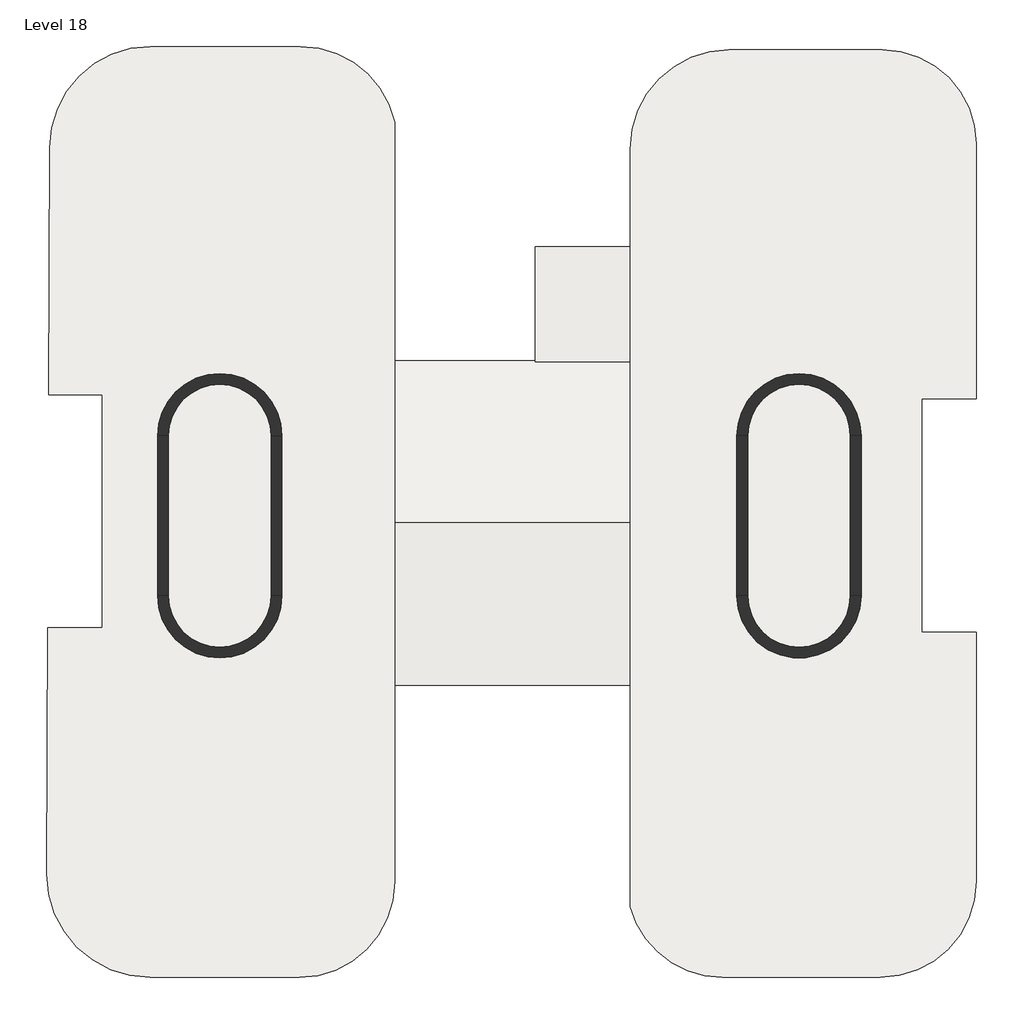
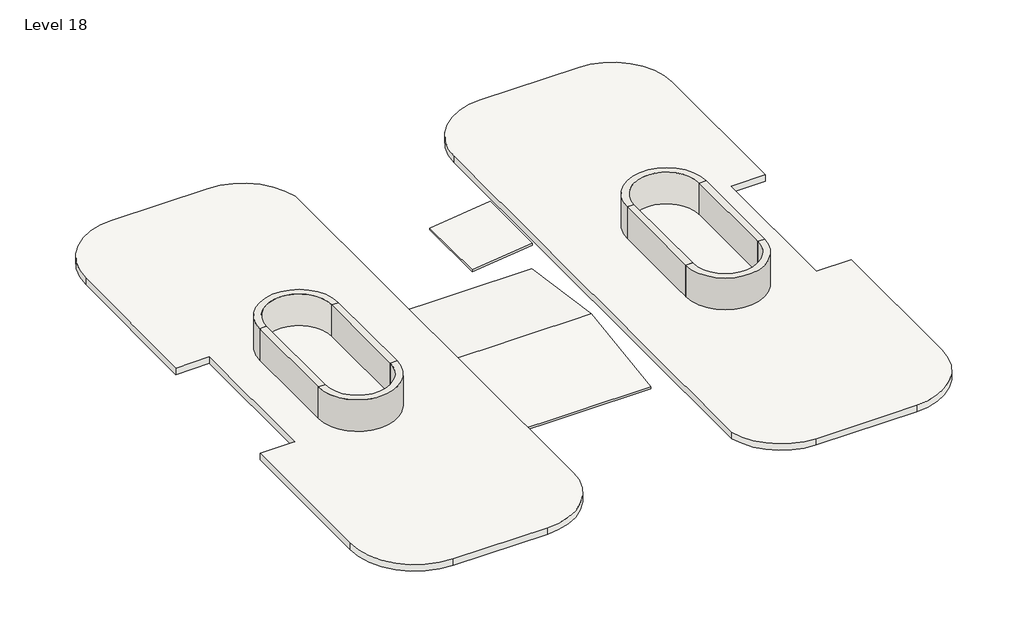
# One storey: 8 walls, 2 roofs, 1 slab.
"""IFC4 building model written with IfcOpenShell, lengths in millimetres."""

from ifc_helpers import new_model, si_unit, point, frame, frame_2d, origin, place, context, project, spatial, polyline, circle_curve, trimmed, segment, composite_curve, outline, extrude, element, save

model = new_model("IFC4")

# Units and contexts
model_context = context("Model", 3, world=origin())
ifc_project = project(units=[si_unit("LENGTHUNIT", "METRE", prefix="MILLI")], contexts=[model_context])

# Site, building, storey
site = spatial("IfcSite", under=ifc_project)
building = spatial("IfcBuilding", under=site)
storey = spatial("IfcBuildingStorey", under=building, Name="Level 18", Elevation=50350.0)

# Roofs
placement = place(None, origin())
element("IfcRoof", 1, at=placement, inside=storey, context=model_context, shape_type="SweptSolid", body=[
    extrude(outline(polyline([(-4515.8480376, 48721.9171139), (15.1519624, 49370.4067088), (4546.1519624, 48721.9171139), (4546.1519624, 48631.0), (15.1519624, 49279.4895949), (-4515.8480376, 48631.0), (-4515.8480376, 48721.9171139)])), frame((-3123.3130583, 0.0, 0.0), z_axis=(1.0, 0.0, 0.0), x_axis=(0.0, 1.0, 0.0)), (0.0, 0.0, 1.0), 6579.1516512),
])
element("IfcRoof", 2, at=placement, inside=storey, context=model_context, shape_type="SweptSolid", body=[
    extrude(outline(polyline([(49917.2123638, 3455.8385929), (49603.6284095, 806.8385929), (49513.0, 806.8385929), (49826.5839543, 3455.8385929), (49917.2123638, 3455.8385929)])), frame((0.0, 4514.7234875, 0.0), z_axis=(0.0, 1.0, 0.0), x_axis=(0.0, 0.0, 1.0)), (0.0, 0.0, 1.0), 3218.0),
])

# Slab
element("IfcSlab", 3, ObjectType="Por defecto - 30 cm", at=placement, inside=storey, context=model_context, shape_type="SweptSolid", body=[
    extrude(outline(composite_curve([segment(polyline([(6211.8385929, 13223.9921771), (10492.8385929, 13223.9921771)]), True, "CONTINUOUS"), segment(trimmed(circle_curve(frame_2d((10492.8385929, 10597.9921771)), 2626.0), [point((10492.8385929, 13223.9921771))], [point((13118.8385929, 10597.9921771))], False, "CARTESIAN"), True, "CONTINUOUS"), segment(polyline([(13118.8385929, 10597.9921771), (13118.8385929, 3484.5921771), (11591.8385929, 3484.5921771), (11591.8385929, -3037.4078229), (13118.8385929, -3037.4078229), (13118.8385929, -9991.5816272)]), True, "CONTINUOUS"), segment(trimmed(circle_curve(frame_2d((10443.8385929, -9991.5816272)), 2675.0), [point((13118.8385929, -9991.5816272))], [point((10443.8385929, -12666.5816272))], False, "CARTESIAN"), True, "CONTINUOUS"), segment(polyline([(10443.8385929, -12666.5816272), (6032.6869417, -12666.5816272)]), True, "CONTINUOUS"), segment(trimmed(circle_curve(frame_2d((6032.6869417, -9995.5816272)), 2671.0), [point((6032.6869417, -12666.5816272))], [point((3455.8385929, -10698.4995365))], False, "CARTESIAN"), True, "CONTINUOUS"), segment(polyline([(3455.8385929, -10698.4995365), (3455.8385929, 10467.9921771)]), True, "CONTINUOUS"), segment(trimmed(circle_curve(frame_2d((6211.8385929, 10467.9921771)), 2756.0), [point((3455.8385929, 10467.9921771))], [point((6211.8385929, 13223.9921771))], False, "CARTESIAN"), True, "CONTINUOUS")], self_intersect=False)), frame((0.0, 0.0, 50050.0), z_axis=(0.0, 0.0, 1.0), x_axis=(1.0, 0.0, 0.0)), (0.0, 0.0, 1.0), 300.0),
    extrude(outline(composite_curve([segment(trimmed(circle_curve(frame_2d((-5790.3130583, -10007.8480376)), 2667.0), [point((-3123.3130583, -10007.8480376))], [point((-5790.3130583, -12674.8480376))], False, "CARTESIAN"), True, "CONTINUOUS"), segment(polyline([(-5790.3130583, -12674.8480376), (-9947.9423327, -12674.8480376)]), True, "CONTINUOUS"), segment(trimmed(circle_curve(frame_2d((-9947.9423327, -9780.8480376)), 2894.0), [point((-9947.9423327, -12674.8480376))], [point((-12841.9423113, -9781.1996622))], False, "CARTESIAN"), True, "CONTINUOUS"), segment(polyline([(-12841.9423113, -9781.1996622), (-12814.1941182, -2911.6269482), (-11291.9914485, -2911.6269482), (-11291.9914485, 3593.3730518), (-12781.7223076, 3593.3730518), (-12748.9661667, 10510.0816687)]), True, "CONTINUOUS"), segment(trimmed(circle_curve(frame_2d((-9939.9661667, 10510.0816687)), 2809.0), [point((-12748.9661667, 10510.0816687))], [point((-9939.9661667, 13319.0816687))], False, "CARTESIAN"), True, "CONTINUOUS"), segment(polyline([(-9939.9661667, 13319.0816687), (-5754.1614071, 13319.0816687)]), True, "CONTINUOUS"), segment(trimmed(circle_curve(frame_2d((-5754.1614071, 10624.0816687)), 2695.0), [point((-5754.1614071, 13319.0816687))], [point((-3123.3130583, 11208.6002446))], False, "CARTESIAN"), True, "CONTINUOUS"), segment(polyline([(-3123.3130583, 11208.6002446), (-3123.3130583, -9719.1475426), (-3123.3130583, -10007.8480376)]), True, "CONTINUOUS")], self_intersect=False)), frame((0.0, 0.0, 50050.0), z_axis=(0.0, 0.0, 1.0), x_axis=(1.0, 0.0, 0.0)), (0.0, 0.0, 1.0), 300.0),
])

# Walls
element("IfcWall", 4, ObjectType="Por defecto - 30 cm", at=placement, inside=storey, context=model_context, shape_type="SweptSolid", body=[
    extrude(outline(polyline([(-9740.2610765, -2018.952811), (-9740.2610765, 2449.8828373), (-9440.2610765, 2449.8828373), (-9440.2610765, -2018.952811), (-9740.2610765, -2018.952811)])), frame((0.0, 0.0, 50350.0), z_axis=(0.0, 0.0, 1.0), x_axis=(1.0, 0.0, 0.0)), (0.0, 0.0, 1.0), 1470.0),
])
element("IfcWall", 5, ObjectType="Por defecto - 30 cm", at=placement, inside=storey, context=model_context, shape_type="SweptSolid", body=[
    extrude(outline(polyline([(-6570.2610765, -2018.952811), (-6570.2610765, 2449.8828373), (-6270.2610765, 2449.8828373), (-6270.2610765, -2018.952811), (-6570.2610765, -2018.952811)])), frame((0.0, 0.0, 50350.0), z_axis=(0.0, 0.0, 1.0), x_axis=(1.0, 0.0, 0.0)), (0.0, 0.0, 1.0), 1470.0),
])
element("IfcWall", 6, ObjectType="Por defecto - 30 cm", at=placement, inside=storey, context=model_context, shape_type="SweptSolid", body=[
    extrude(outline(composite_curve([segment(polyline([(-9440.2610765, 2449.8828373), (-9740.2610765, 2449.8828373)]), True, "CONTINUOUS"), segment(trimmed(circle_curve(frame_2d((-8005.2610765, 2449.8828373)), 1735.0), [point((-9740.2610765, 2449.8828373))], [point((-6270.2610765, 2449.8828373))], False, "CARTESIAN"), True, "CONTINUOUS"), segment(polyline([(-6270.2610765, 2449.8828373), (-6570.2610765, 2449.8828373)]), True, "CONTINUOUS"), segment(trimmed(circle_curve(frame_2d((-8005.2610765, 2449.8828373)), 1435.0), [point((-6570.2610765, 2449.8828373))], [point((-9440.2610765, 2449.8828373))], True, "CARTESIAN"), True, "CONTINUOUS")], self_intersect=False)), frame((0.0, 0.0, 50350.0), z_axis=(0.0, 0.0, 1.0), x_axis=(1.0, 0.0, 0.0)), (0.0, 0.0, 1.0), 1470.0),
])
element("IfcWall", 7, ObjectType="Por defecto - 30 cm", at=placement, inside=storey, context=model_context, shape_type="SweptSolid", body=[
    extrude(outline(composite_curve([segment(polyline([(-6570.2610765, -2018.952811), (-6270.2610765, -2018.952811)]), True, "CONTINUOUS"), segment(trimmed(circle_curve(frame_2d((-8005.2610765, -2018.952811)), 1735.0), [point((-6270.2610765, -2018.952811))], [point((-9740.2610765, -2018.952811))], False, "CARTESIAN"), True, "CONTINUOUS"), segment(polyline([(-9740.2610765, -2018.952811), (-9440.2610765, -2018.952811)]), True, "CONTINUOUS"), segment(trimmed(circle_curve(frame_2d((-8005.2610765, -2018.952811)), 1435.0), [point((-9440.2610765, -2018.952811))], [point((-6570.2610765, -2018.952811))], True, "CARTESIAN"), True, "CONTINUOUS")], self_intersect=False)), frame((0.0, 0.0, 50350.0), z_axis=(0.0, 0.0, 1.0), x_axis=(1.0, 0.0, 0.0)), (0.0, 0.0, 1.0), 1470.0),
])
element("IfcWall", 8, ObjectType="Por defecto - 30 cm", at=placement, inside=storey, context=model_context, shape_type="SweptSolid", body=[
    extrude(outline(polyline([(6434.7389235, -2018.952811), (6434.7389235, 2449.8828373), (6734.7389235, 2449.8828373), (6734.7389235, -2018.952811), (6434.7389235, -2018.952811)])), frame((0.0, 0.0, 50350.0), z_axis=(0.0, 0.0, 1.0), x_axis=(1.0, 0.0, 0.0)), (0.0, 0.0, 1.0), 1470.0),
])
element("IfcWall", 9, ObjectType="Por defecto - 30 cm", at=placement, inside=storey, context=model_context, shape_type="SweptSolid", body=[
    extrude(outline(polyline([(9604.7389235, -2018.952811), (9604.7389235, 2449.8828373), (9904.7389235, 2449.8828373), (9904.7389235, -2018.952811), (9604.7389235, -2018.952811)])), frame((0.0, 0.0, 50350.0), z_axis=(0.0, 0.0, 1.0), x_axis=(1.0, 0.0, 0.0)), (0.0, 0.0, 1.0), 1470.0),
])
element("IfcWall", 10, ObjectType="Por defecto - 30 cm", at=placement, inside=storey, context=model_context, shape_type="SweptSolid", body=[
    extrude(outline(composite_curve([segment(polyline([(6734.7389235, 2449.8828373), (6434.7389235, 2449.8828373)]), True, "CONTINUOUS"), segment(trimmed(circle_curve(frame_2d((8169.7389235, 2449.8828373)), 1735.0), [point((6434.7389235, 2449.8828373))], [point((9904.7389235, 2449.8828373))], False, "CARTESIAN"), True, "CONTINUOUS"), segment(polyline([(9904.7389235, 2449.8828373), (9604.7389235, 2449.8828373)]), True, "CONTINUOUS"), segment(trimmed(circle_curve(frame_2d((8169.7389235, 2449.8828373)), 1435.0), [point((9604.7389235, 2449.8828373))], [point((6734.7389235, 2449.8828373))], True, "CARTESIAN"), True, "CONTINUOUS")], self_intersect=False)), frame((0.0, 0.0, 50350.0), z_axis=(0.0, 0.0, 1.0), x_axis=(1.0, 0.0, 0.0)), (0.0, 0.0, 1.0), 1470.0),
])
element("IfcWall", 11, ObjectType="Por defecto - 30 cm", at=placement, inside=storey, context=model_context, shape_type="SweptSolid", body=[
    extrude(outline(composite_curve([segment(polyline([(9604.7389235, -2018.952811), (9904.7389235, -2018.952811)]), True, "CONTINUOUS"), segment(trimmed(circle_curve(frame_2d((8169.7389235, -2018.952811)), 1735.0), [point((9904.7389235, -2018.952811))], [point((6434.7389235, -2018.952811))], False, "CARTESIAN"), True, "CONTINUOUS"), segment(polyline([(6434.7389235, -2018.952811), (6734.7389235, -2018.952811)]), True, "CONTINUOUS"), segment(trimmed(circle_curve(frame_2d((8169.7389235, -2018.952811)), 1435.0), [point((6734.7389235, -2018.952811))], [point((9604.7389235, -2018.952811))], True, "CARTESIAN"), True, "CONTINUOUS")], self_intersect=False)), frame((0.0, 0.0, 50350.0), z_axis=(0.0, 0.0, 1.0), x_axis=(1.0, 0.0, 0.0)), (0.0, 0.0, 1.0), 1470.0),
])

save(model, "model.ifc")
